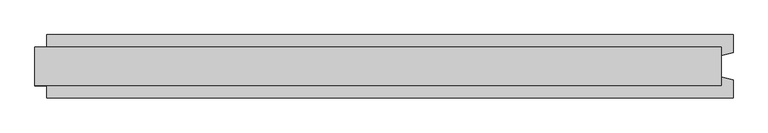
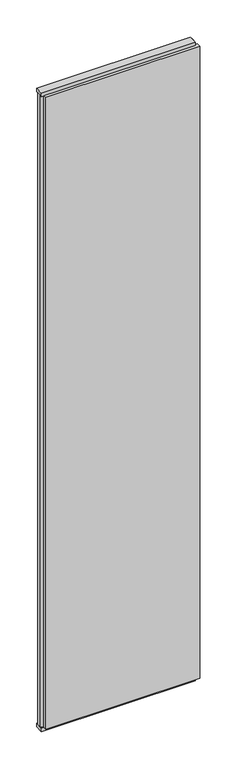
"""IFC4 building model written with IfcOpenShell, lengths in millimetres: plate geometry."""

import ifcopenshell
import ifcopenshell.guid

model = None  # the IFC model being written
_history = None  # IfcOwnerHistory: only IFC2X3 demands one
_inside = {}  # id of a spatial element -> (the spatial element, [elements in it])
_under = {}  # id of a project, library or spatial element -> (it, [spatial elements below it])
_declared = {}  # id of a project -> (the project, [libraries it declares])
_typed = {}  # id of a type object -> (the type object, [elements of that type])
_made_of = {}  # id of a material, layer set ... -> (it, [elements and type objects made of it])


def new_model(schema):
    """Start an empty IFC model of exactly this schema.

    Asked for "IFC4X3", IfcOpenShell would pick the latest addendum, in which some entities
    have other attributes; the version numbers below select the first issue.
    IFC2X3 requires an IfcOwnerHistory on every rooted entity: one is made here for all.
    """
    global model, _history
    if schema == "IFC4X3":
        model = ifcopenshell.file(schema_version=(4, 3, 0, 0))
    else:
        model = ifcopenshell.file(schema=schema)
    _inside.clear()
    _under.clear()
    _declared.clear()
    _typed.clear()
    _made_of.clear()
    _history = None
    if model.schema == "IFC2X3":
        org = make("IfcOrganization", Name="unknown")
        user = make(
            "IfcPersonAndOrganization",
            ThePerson=make("IfcPerson", FamilyName="unknown"),
            TheOrganization=org,
        )
        app = make(
            "IfcApplication",
            ApplicationDeveloper=org,
            Version="unknown",
            ApplicationFullName="unknown",
            ApplicationIdentifier="unknown",
        )
        _history = make(
            "IfcOwnerHistory",
            OwningUser=user,
            OwningApplication=app,
            ChangeAction="ADDED",
            CreationDate=0,
        )
    return model


def make(cls, **values):
    """One entity of the class cls with the attributes given. An attribute that is None is left unset."""
    return model.create_entity(
        cls, **{name: value for name, value in values.items() if value is not None}
    )


def rooted(cls, **values):
    """An entity with a GlobalId (a new one), such as an element, a storey or a relation."""
    return make(cls, GlobalId=ifcopenshell.guid.new(), OwnerHistory=_history, **values)


def si_unit(unit_type, name, prefix=None):
    """IfcSIUnit, for example si_unit("LENGTHUNIT", "METRE", prefix="MILLI")."""
    return make("IfcSIUnit", UnitType=unit_type, Prefix=prefix, Name=name)


def assignment(units):
    """IfcUnitAssignment: the units of a project."""
    return None if units is None else make("IfcUnitAssignment", Units=units)


def point(xyz):
    """IfcCartesianPoint."""
    return None if xyz is None else make("IfcCartesianPoint", Coordinates=xyz)


def direction(xyz):
    """IfcDirection."""
    return None if xyz is None else make("IfcDirection", DirectionRatios=xyz)


def frame(location, z_axis=None, x_axis=None):
    """IfcAxis2Placement3D, a coordinate frame: its origin and axes. An axis left out is left unset."""
    return make(
        "IfcAxis2Placement3D",
        Location=point(location),
        Axis=direction(z_axis),
        RefDirection=direction(x_axis),
    )


def origin():
    """The frame at (0, 0, 0) with its axes left unset."""
    return frame((0.0, 0.0, 0.0))


def origin_with_axes():
    """The frame at (0, 0, 0) with the z axis (0, 0, 1) and the x axis (1, 0, 0) written out."""
    return frame((0.0, 0.0, 0.0), z_axis=(0.0, 0.0, 1.0), x_axis=(1.0, 0.0, 0.0))


def place(relative_to, where):
    """IfcLocalPlacement: puts the frame where relative to a parent placement (None: the world)."""
    return make(
        "IfcLocalPlacement", PlacementRelTo=relative_to, RelativePlacement=where
    )


def context(
    kind, dimensions, precision=None, world=None, true_north=None, identifier=None
):
    """IfcGeometricRepresentationContext, for example the 3D "Model" context."""
    return make(
        "IfcGeometricRepresentationContext",
        ContextIdentifier=identifier,
        ContextType=kind,
        CoordinateSpaceDimension=dimensions,
        Precision=precision,
        WorldCoordinateSystem=world,
        TrueNorth=true_north,
    )


def project(units=None, contexts=None):
    """IfcProject with its units and contexts."""
    return rooted(
        "IfcProject",
        Name="project",
        RepresentationContexts=contexts,
        UnitsInContext=assignment(units),
    )


def spatial(cls, under=None, at=None, **own):
    """A site, building, storey or space (cls), placed at a placement, below another one or the project."""
    s = rooted(cls, ObjectPlacement=at, **own)
    if under is not None:
        _under.setdefault(under.id(), (under, []))[1].append(s)
    return s


def polyline(points):
    """IfcPolyline through the points."""
    return make("IfcPolyline", Points=[point(p) for p in points])


def outline(outer, holes=None, kind="AREA"):
    """IfcArbitraryClosedProfileDef: a profile drawn as a closed curve; with holes, ...WithVoids."""
    if holes is None:
        return make("IfcArbitraryClosedProfileDef", ProfileType=kind, OuterCurve=outer)
    return make(
        "IfcArbitraryProfileDefWithVoids",
        ProfileType=kind,
        OuterCurve=outer,
        InnerCurves=holes,
    )


def extrude(swept, where, along, depth):
    """IfcExtrudedAreaSolid: the profile swept, set in the frame where, extruded along a direction by depth."""
    return make(
        "IfcExtrudedAreaSolid",
        SweptArea=swept,
        Position=where,
        ExtrudedDirection=direction(along),
        Depth=depth,
    )


def shape(context_of_items, identifier, shape_type, items):
    """IfcShapeRepresentation: the items that make up one representation, for example the "Body"."""
    return make(
        "IfcShapeRepresentation",
        ContextOfItems=context_of_items,
        RepresentationIdentifier=identifier,
        RepresentationType=shape_type,
        Items=items,
    )


def source(mapping_origin, context_of_items, identifier, shape_type, items):
    """IfcRepresentationMap: a shape defined once, which mapped items show again and again."""
    return make(
        "IfcRepresentationMap",
        MappingOrigin=mapping_origin,
        MappedRepresentation=shape(context_of_items, identifier, shape_type, items),
    )


def transform(
    local_origin,
    x_axis=None,
    y_axis=None,
    z_axis=None,
    scale=None,
    scale2=None,
    scale3=None,
    uniform=True,
):
    """IfcCartesianTransformationOperator3D, or its non-uniform kind. x_axis, y_axis, z_axis: its Axis1, 2, 3."""
    if uniform:
        return make(
            "IfcCartesianTransformationOperator3D",
            Axis1=direction(x_axis),
            Axis2=direction(y_axis),
            LocalOrigin=point(local_origin),
            Scale=scale,
            Axis3=direction(z_axis),
        )
    return make(
        "IfcCartesianTransformationOperator3DnonUniform",
        Axis1=direction(x_axis),
        Axis2=direction(y_axis),
        LocalOrigin=point(local_origin),
        Scale=scale,
        Axis3=direction(z_axis),
        Scale2=scale2,
        Scale3=scale3,
    )


def mapped(mapping_source, mapping_target):
    """IfcMappedItem: shows the shape of a source again, moved by a transform."""
    return make(
        "IfcMappedItem", MappingSource=mapping_source, MappingTarget=mapping_target
    )


def made_of(thing, what):
    """Note that an element or type object is made of a material, layer set ...; save() writes the relation."""
    if what is not None:
        _made_of.setdefault(what.id(), (what, []))[1].append(thing)
    return thing


def element(
    cls,
    number,
    at=None,
    inside=None,
    cuts=None,
    type_object=None,
    material=None,
    context=None,
    identifier="Body",
    shape_type=None,
    held_by="IfcProductDefinitionShape",
    body=None,
    shapes=None,
    **own,
):
    """One element of the class cls, such as IfcWall. Its Tag is "e" and its number.

    at: its placement. inside: the storey or other place that contains it. cuts: it is an
    opening in that element (IfcRelVoidsElement). A single representation is given by context,
    identifier, shape_type and body (its items); several are given by shapes. held_by: the class
    of the entity that holds the representations. save() writes the other relations.
    """
    e = rooted(cls, Tag="e%d" % number, ObjectPlacement=at, **own)
    if body is not None:
        shapes = [shape(context, identifier, shape_type, body)]
    if shapes is not None:
        e.Representation = make(held_by, Representations=shapes)
    if inside is not None:
        _inside.setdefault(inside.id(), (inside, []))[1].append(e)
    if cuts is not None:
        rooted(
            "IfcRelVoidsElement", RelatingBuildingElement=cuts, RelatedOpeningElement=e
        )
    if type_object is not None:
        _typed.setdefault(type_object.id(), (type_object, []))[1].append(e)
    return made_of(e, material)


def aggregate(whole, parts):
    """IfcRelAggregates: a whole, such as a stair, and the parts it consists of."""
    return rooted("IfcRelAggregates", RelatingObject=whole, RelatedObjects=parts)


def save(model, path):
    """Write the relations noted so far, then the file.

    IfcRelAggregates (storeys below a building ...), IfcRelContainedInSpatialStructure (elements
    in a storey), IfcRelDefinesByType, IfcRelAssociatesMaterial and IfcRelDeclares: one each for
    every whole, place, type object, material and project.
    """
    for whole, parts in _under.values():
        aggregate(whole, parts)
    for where, things in _inside.values():
        rooted(
            "IfcRelContainedInSpatialStructure",
            RelatedElements=things,
            RelatingStructure=where,
        )
    for kind, things in _typed.values():
        rooted("IfcRelDefinesByType", RelatedObjects=things, RelatingType=kind)
    for what, things in _made_of.values():
        rooted("IfcRelAssociatesMaterial", RelatedObjects=things, RelatingMaterial=what)
    for by, libraries in _declared.values():
        rooted("IfcRelDeclares", RelatingContext=by, RelatedDefinitions=libraries)
    model.write(path)


def plate_6061e78d(model_context):
    return source(origin(), model_context, "Body", "SweptSolid", [
        extrude(outline(polyline([(590.5, 52.5), (590.5, 22.9993165), (570.5, 17.6401049), (570.5, -17.6401049), (590.5, -22.9993165), (590.5, -52.5), (-550.5, -52.5), (-550.5, -22.9993165), (-570.5, -17.6401049), (-570.5, 17.6401049), (-550.5, 22.9993165), (-550.5, 52.5), (590.5, 52.5)])), frame((0.0, 0.0, 25.0), z_axis=(0.0, 0.0, 1.0), x_axis=(1.0, 0.0, 0.0)), (0.0, 0.0, 1.0), 4950.0),
        extrude(outline(polyline([(570.5, 32.0), (570.5, -32.0), (-570.5, -32.0), (-570.5, 32.0), (570.5, 32.0)])), origin_with_axes(), (0.0, 0.0, 1.0), 25.0),
        extrude(outline(polyline([(570.5, 32.0), (570.5, -32.0), (-570.5, -32.0), (-570.5, 32.0), (570.5, 32.0)])), frame((0.0, 0.0, 4975.0), z_axis=(0.0, 0.0, 1.0), x_axis=(1.0, 0.0, 0.0)), (0.0, 0.0, 1.0), 25.0),
    ])


if __name__ == "__main__":
    model = new_model("IFC4")
    model_context = context("Model", 3, world=origin())
    ifc_project = project(units=[si_unit("LENGTHUNIT", "METRE", prefix="MILLI")], contexts=[model_context])
    site = spatial("IfcSite", under=ifc_project)
    building = spatial("IfcBuilding", under=site)
    placement = place(None, origin())
    plate_shape = plate_6061e78d(model_context)
    element("IfcPlate", 1, at=placement, inside=building, context=model_context, shape_type="MappedRepresentation", body=[
        mapped(plate_shape, transform((0.0, 0.0, 0.0), x_axis=(1.0, 0.0, 0.0), y_axis=(0.0, 1.0, 0.0), z_axis=(0.0, 0.0, 1.0))),
    ])
    save(model, "model.ifc")
